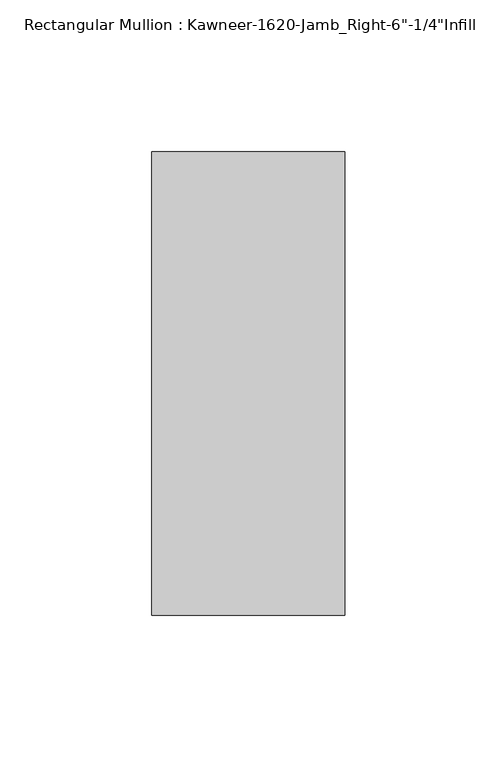
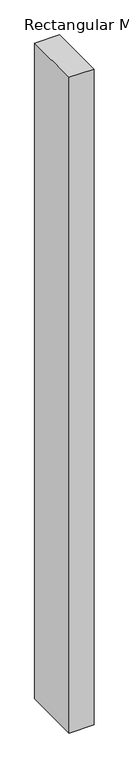
"""IFC4 building model written with IfcOpenShell, lengths in millimetres: member geometry."""

import ifcopenshell
import ifcopenshell.guid

model = None  # the IFC model being written
_history = None  # IfcOwnerHistory: only IFC2X3 demands one
_inside = {}  # id of a spatial element -> (the spatial element, [elements in it])
_under = {}  # id of a project, library or spatial element -> (it, [spatial elements below it])
_declared = {}  # id of a project -> (the project, [libraries it declares])
_typed = {}  # id of a type object -> (the type object, [elements of that type])
_made_of = {}  # id of a material, layer set ... -> (it, [elements and type objects made of it])


def new_model(schema):
    """Start an empty IFC model of exactly this schema.

    Asked for "IFC4X3", IfcOpenShell would pick the latest addendum, in which some entities
    have other attributes; the version numbers below select the first issue.
    IFC2X3 requires an IfcOwnerHistory on every rooted entity: one is made here for all.
    """
    global model, _history
    if schema == "IFC4X3":
        model = ifcopenshell.file(schema_version=(4, 3, 0, 0))
    else:
        model = ifcopenshell.file(schema=schema)
    _inside.clear()
    _under.clear()
    _declared.clear()
    _typed.clear()
    _made_of.clear()
    _history = None
    if model.schema == "IFC2X3":
        org = make("IfcOrganization", Name="unknown")
        user = make(
            "IfcPersonAndOrganization",
            ThePerson=make("IfcPerson", FamilyName="unknown"),
            TheOrganization=org,
        )
        app = make(
            "IfcApplication",
            ApplicationDeveloper=org,
            Version="unknown",
            ApplicationFullName="unknown",
            ApplicationIdentifier="unknown",
        )
        _history = make(
            "IfcOwnerHistory",
            OwningUser=user,
            OwningApplication=app,
            ChangeAction="ADDED",
            CreationDate=0,
        )
    return model


def make(cls, **values):
    """One entity of the class cls with the attributes given. An attribute that is None is left unset."""
    return model.create_entity(
        cls, **{name: value for name, value in values.items() if value is not None}
    )


def rooted(cls, **values):
    """An entity with a GlobalId (a new one), such as an element, a storey or a relation."""
    return make(cls, GlobalId=ifcopenshell.guid.new(), OwnerHistory=_history, **values)


def si_unit(unit_type, name, prefix=None):
    """IfcSIUnit, for example si_unit("LENGTHUNIT", "METRE", prefix="MILLI")."""
    return make("IfcSIUnit", UnitType=unit_type, Prefix=prefix, Name=name)


def assignment(units):
    """IfcUnitAssignment: the units of a project."""
    return None if units is None else make("IfcUnitAssignment", Units=units)


def point(xyz):
    """IfcCartesianPoint."""
    return None if xyz is None else make("IfcCartesianPoint", Coordinates=xyz)


def direction(xyz):
    """IfcDirection."""
    return None if xyz is None else make("IfcDirection", DirectionRatios=xyz)


def frame(location, z_axis=None, x_axis=None):
    """IfcAxis2Placement3D, a coordinate frame: its origin and axes. An axis left out is left unset."""
    return make(
        "IfcAxis2Placement3D",
        Location=point(location),
        Axis=direction(z_axis),
        RefDirection=direction(x_axis),
    )


def origin():
    """The frame at (0, 0, 0) with its axes left unset."""
    return frame((0.0, 0.0, 0.0))


def place(relative_to, where):
    """IfcLocalPlacement: puts the frame where relative to a parent placement (None: the world)."""
    return make(
        "IfcLocalPlacement", PlacementRelTo=relative_to, RelativePlacement=where
    )


def context(
    kind, dimensions, precision=None, world=None, true_north=None, identifier=None
):
    """IfcGeometricRepresentationContext, for example the 3D "Model" context."""
    return make(
        "IfcGeometricRepresentationContext",
        ContextIdentifier=identifier,
        ContextType=kind,
        CoordinateSpaceDimension=dimensions,
        Precision=precision,
        WorldCoordinateSystem=world,
        TrueNorth=true_north,
    )


def project(units=None, contexts=None):
    """IfcProject with its units and contexts."""
    return rooted(
        "IfcProject",
        Name="project",
        RepresentationContexts=contexts,
        UnitsInContext=assignment(units),
    )


def spatial(cls, under=None, at=None, **own):
    """A site, building, storey or space (cls), placed at a placement, below another one or the project."""
    s = rooted(cls, ObjectPlacement=at, **own)
    if under is not None:
        _under.setdefault(under.id(), (under, []))[1].append(s)
    return s


def polyline(points):
    """IfcPolyline through the points."""
    return make("IfcPolyline", Points=[point(p) for p in points])


def outline(outer, holes=None, kind="AREA"):
    """IfcArbitraryClosedProfileDef: a profile drawn as a closed curve; with holes, ...WithVoids."""
    if holes is None:
        return make("IfcArbitraryClosedProfileDef", ProfileType=kind, OuterCurve=outer)
    return make(
        "IfcArbitraryProfileDefWithVoids",
        ProfileType=kind,
        OuterCurve=outer,
        InnerCurves=holes,
    )


def extrude(swept, where, along, depth):
    """IfcExtrudedAreaSolid: the profile swept, set in the frame where, extruded along a direction by depth."""
    return make(
        "IfcExtrudedAreaSolid",
        SweptArea=swept,
        Position=where,
        ExtrudedDirection=direction(along),
        Depth=depth,
    )


def shape(context_of_items, identifier, shape_type, items):
    """IfcShapeRepresentation: the items that make up one representation, for example the "Body"."""
    return make(
        "IfcShapeRepresentation",
        ContextOfItems=context_of_items,
        RepresentationIdentifier=identifier,
        RepresentationType=shape_type,
        Items=items,
    )


def source(mapping_origin, context_of_items, identifier, shape_type, items):
    """IfcRepresentationMap: a shape defined once, which mapped items show again and again."""
    return make(
        "IfcRepresentationMap",
        MappingOrigin=mapping_origin,
        MappedRepresentation=shape(context_of_items, identifier, shape_type, items),
    )


def transform(
    local_origin,
    x_axis=None,
    y_axis=None,
    z_axis=None,
    scale=None,
    scale2=None,
    scale3=None,
    uniform=True,
):
    """IfcCartesianTransformationOperator3D, or its non-uniform kind. x_axis, y_axis, z_axis: its Axis1, 2, 3."""
    if uniform:
        return make(
            "IfcCartesianTransformationOperator3D",
            Axis1=direction(x_axis),
            Axis2=direction(y_axis),
            LocalOrigin=point(local_origin),
            Scale=scale,
            Axis3=direction(z_axis),
        )
    return make(
        "IfcCartesianTransformationOperator3DnonUniform",
        Axis1=direction(x_axis),
        Axis2=direction(y_axis),
        LocalOrigin=point(local_origin),
        Scale=scale,
        Axis3=direction(z_axis),
        Scale2=scale2,
        Scale3=scale3,
    )


def mapped(mapping_source, mapping_target):
    """IfcMappedItem: shows the shape of a source again, moved by a transform."""
    return make(
        "IfcMappedItem", MappingSource=mapping_source, MappingTarget=mapping_target
    )


def made_of(thing, what):
    """Note that an element or type object is made of a material, layer set ...; save() writes the relation."""
    if what is not None:
        _made_of.setdefault(what.id(), (what, []))[1].append(thing)
    return thing


def element(
    cls,
    number,
    at=None,
    inside=None,
    cuts=None,
    type_object=None,
    material=None,
    context=None,
    identifier="Body",
    shape_type=None,
    held_by="IfcProductDefinitionShape",
    body=None,
    shapes=None,
    **own,
):
    """One element of the class cls, such as IfcWall. Its Tag is "e" and its number.

    at: its placement. inside: the storey or other place that contains it. cuts: it is an
    opening in that element (IfcRelVoidsElement). A single representation is given by context,
    identifier, shape_type and body (its items); several are given by shapes. held_by: the class
    of the entity that holds the representations. save() writes the other relations.
    """
    e = rooted(cls, Tag="e%d" % number, ObjectPlacement=at, **own)
    if body is not None:
        shapes = [shape(context, identifier, shape_type, body)]
    if shapes is not None:
        e.Representation = make(held_by, Representations=shapes)
    if inside is not None:
        _inside.setdefault(inside.id(), (inside, []))[1].append(e)
    if cuts is not None:
        rooted(
            "IfcRelVoidsElement", RelatingBuildingElement=cuts, RelatedOpeningElement=e
        )
    if type_object is not None:
        _typed.setdefault(type_object.id(), (type_object, []))[1].append(e)
    return made_of(e, material)


def aggregate(whole, parts):
    """IfcRelAggregates: a whole, such as a stair, and the parts it consists of."""
    return rooted("IfcRelAggregates", RelatingObject=whole, RelatedObjects=parts)


def save(model, path):
    """Write the relations noted so far, then the file.

    IfcRelAggregates (storeys below a building ...), IfcRelContainedInSpatialStructure (elements
    in a storey), IfcRelDefinesByType, IfcRelAssociatesMaterial and IfcRelDeclares: one each for
    every whole, place, type object, material and project.
    """
    for whole, parts in _under.values():
        aggregate(whole, parts)
    for where, things in _inside.values():
        rooted(
            "IfcRelContainedInSpatialStructure",
            RelatedElements=things,
            RelatingStructure=where,
        )
    for kind, things in _typed.values():
        rooted("IfcRelDefinesByType", RelatedObjects=things, RelatingType=kind)
    for what, things in _made_of.values():
        rooted("IfcRelAssociatesMaterial", RelatedObjects=things, RelatingMaterial=what)
    for by, libraries in _declared.values():
        rooted("IfcRelDeclares", RelatingContext=by, RelatedDefinitions=libraries)
    model.write(path)


def member_3c4ff72f(model_context):
    return source(origin(), model_context, "Body", "SweptSolid", [
        extrude(outline(polyline([(-22.225, 28.575), (41.275, 28.575), (41.275, -123.825), (-22.225, -123.825), (-22.225, 28.575)])), frame((0.0, 0.0, -1765.3), z_axis=(0.0, 0.0, 1.0), x_axis=(1.0, 0.0, 0.0)), (0.0, 0.0, 1.0), 1765.3),
    ])


if __name__ == "__main__":
    model = new_model("IFC4")
    model_context = context("Model", 3, world=origin())
    ifc_project = project(units=[si_unit("LENGTHUNIT", "METRE", prefix="MILLI")], contexts=[model_context])
    site = spatial("IfcSite", under=ifc_project)
    building = spatial("IfcBuilding", under=site)
    placement = place(None, origin())
    member_shape = member_3c4ff72f(model_context)
    element("IfcMember", 1, ObjectType="Rectangular Mullion : Kawneer-1620-Jamb_Right-6\"-1/4\"Infill", at=placement, inside=building, context=model_context, shape_type="MappedRepresentation", body=[
        mapped(member_shape, transform((0.0, 0.0, 0.0), x_axis=(1.0, 0.0, 0.0), y_axis=(0.0, 1.0, 0.0), z_axis=(0.0, 0.0, 1.0))),
    ])
    save(model, "model.ifc")
